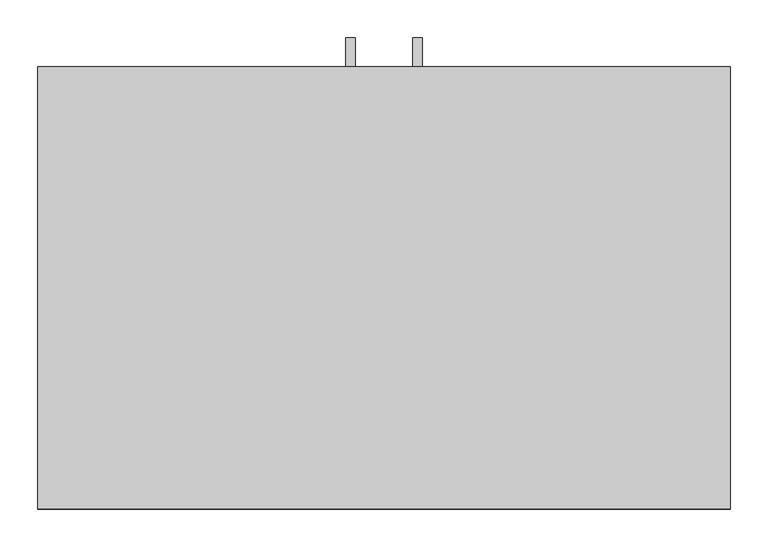
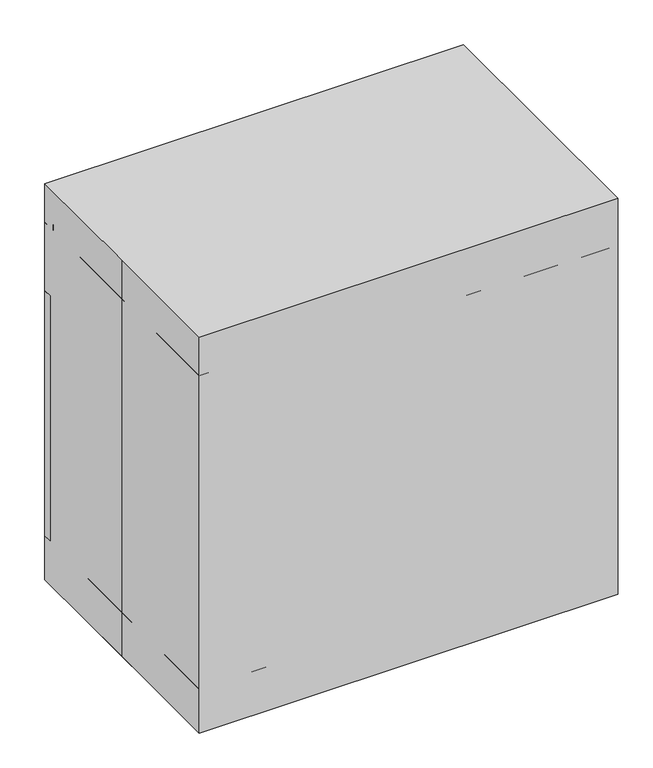
"""IFC4 building model written with IfcOpenShell, lengths in millimetres: proxy geometry."""

from ifc_helpers import new_model, si_unit, frame, origin, origin_with_axes, place, context, project, spatial, polyline, outline, extrude, source, transform, mapped, element, save


def specialty_equipment_691782c5(model_context):
    return source(origin(), model_context, "Body", "SweptSolid", [
        extrude(outline(polyline([(330.2, 518.5968273), (292.1, 518.5968273), (292.1, 531.2808974), (317.5159299, 531.2808974), (317.5159299, 601.1627573), (292.1, 601.1627573), (292.1, 613.8468273), (330.2, 613.8468273), (330.2, 518.5968273)])), frame((38.1, 0.0, 0.0), z_axis=(1.0, 0.0, 0.0), x_axis=(0.0, 1.0, 0.0)), (0.0, 0.0, 1.0), 12.7),
        extrude(outline(polyline([(330.2, 518.5968273), (292.1, 518.5968273), (292.1, 531.2808974), (317.5159299, 531.2808974), (317.5159299, 601.1627573), (292.1, 601.1627573), (292.1, 613.8468273), (330.2, 613.8468273), (330.2, 518.5968273)])), frame((-50.8, 0.0, 0.0), z_axis=(1.0, 0.0, 0.0), x_axis=(0.0, 1.0, 0.0)), (0.0, 0.0, 1.0), 12.7),
        extrude(outline(polyline([(0.0, 292.1), (0.0, 273.05), (-457.2, 273.05), (-457.2, 292.1), (0.0, 292.1)])), frame((0.0, 0.0, 101.6), z_axis=(0.0, 0.0, 1.0), x_axis=(1.0, 0.0, 0.0)), (0.0, 0.0, 1.0), 565.15),
        extrude(outline(polyline([(457.2, 292.1), (457.2, 273.05), (0.0, 273.05), (0.0, 292.1), (457.2, 292.1)])), frame((0.0, 0.0, 101.6), z_axis=(0.0, 0.0, 1.0), x_axis=(1.0, 0.0, 0.0)), (0.0, 0.0, 1.0), 565.15),
        extrude(outline(polyline([(-457.2, -292.1), (-457.2, 0.0), (-457.2, 292.1), (457.2, 292.1), (457.2, -292.1), (-457.2, -292.1)])), origin_with_axes(), (0.0, 0.0, 1.0), 914.4),
        extrude(outline(polyline([(438.15, 260.35), (-438.15, 260.35), (-438.15, 273.05), (438.15, 273.05), (438.15, 260.35)])), frame((0.0, 0.0, 641.0750636), z_axis=(0.0, 0.0, 1.0), x_axis=(1.0, 0.0, 0.0)), (0.0, 0.0, 1.0), 51.0749364),
        extrude(outline(polyline([(457.2, 292.1), (457.2, 273.05), (-457.2, 273.05), (-457.2, 292.1), (457.2, 292.1)])), frame((0.0, 0.0, 673.1), z_axis=(0.0, 0.0, 1.0), x_axis=(1.0, 0.0, 0.0)), (0.0, 0.0, 1.0), 152.4),
        extrude(outline(polyline([(-457.2, 273.05), (-438.15, 273.05), (-438.15, -292.1), (-457.2, -292.1), (-457.2, 273.05)])), frame((0.0, 0.0, 101.6), z_axis=(0.0, 0.0, 1.0), x_axis=(1.0, 0.0, 0.0)), (0.0, 0.0, 1.0), 723.9),
        extrude(outline(polyline([(438.15, 273.05), (457.2, 273.05), (457.2, -292.1), (438.15, -292.1), (438.15, 273.05)])), frame((0.0, 0.0, 101.6), z_axis=(0.0, 0.0, 1.0), x_axis=(1.0, 0.0, 0.0)), (0.0, 0.0, 1.0), 723.9),
        extrude(outline(polyline([(457.2, 260.35), (-457.2, 260.35), (-457.2, 273.05), (457.2, 273.05), (457.2, 260.35)])), frame((0.0, 0.0, 825.5), z_axis=(0.0, 0.0, 1.0), x_axis=(1.0, 0.0, 0.0)), (0.0, 0.0, 1.0), 12.7),
        extrude(outline(polyline([(457.2, 234.95), (457.2, 215.9), (-457.2, 215.9), (-457.2, 234.95), (457.2, 234.95)])), origin_with_axes(), (0.0, 0.0, 1.0), 101.6),
        extrude(outline(polyline([(-457.2, 215.9), (-438.15, 215.9), (-438.15, -292.1), (-457.2, -292.1), (-457.2, 215.9)])), origin_with_axes(), (0.0, 0.0, 1.0), 101.6),
        extrude(outline(polyline([(438.15, 215.9), (457.2, 215.9), (457.2, -285.75), (438.15, -285.75), (438.15, 215.9)])), origin_with_axes(), (0.0, 0.0, 1.0), 101.6),
        extrude(outline(polyline([(457.2, -273.05), (457.2, -292.1), (-457.2, -292.1), (-457.2, -273.05), (457.2, -273.05)])), origin_with_axes(), (0.0, 0.0, 1.0), 101.6),
        extrude(outline(polyline([(438.15, -273.05), (-438.15, -273.05), (-438.15, 273.05), (438.15, 273.05), (438.15, -273.05)])), frame((0.0, 0.0, 101.6), z_axis=(0.0, 0.0, 1.0), x_axis=(1.0, 0.0, 0.0)), (0.0, 0.0, 1.0), 19.1166954),
        extrude(outline(polyline([(438.15, -273.05), (438.15, -292.1), (-438.15, -292.1), (-438.15, -273.05), (438.15, -273.05)])), frame((0.0, 0.0, 101.6), z_axis=(0.0, 0.0, 1.0), x_axis=(1.0, 0.0, 0.0)), (0.0, 0.0, 1.0), 704.85),
    ])


if __name__ == "__main__":
    model = new_model("IFC4")
    model_context = context("Model", 3, world=origin())
    ifc_project = project(units=[si_unit("LENGTHUNIT", "METRE", prefix="MILLI")], contexts=[model_context])
    site = spatial("IfcSite", under=ifc_project)
    building = spatial("IfcBuilding", under=site)
    placement = place(None, origin())
    specialty_equipment_shape = specialty_equipment_691782c5(model_context)
    element("IfcBuildingElementProxy", 1, Name="Specialty Equipment", at=placement, inside=building, context=model_context, shape_type="MappedRepresentation", body=[
        mapped(specialty_equipment_shape, transform((0.0, 0.0, 0.0), x_axis=(1.0, 0.0, 0.0), y_axis=(0.0, 1.0, 0.0), z_axis=(0.0, 0.0, 1.0))),
    ])
    save(model, "model.ifc")
